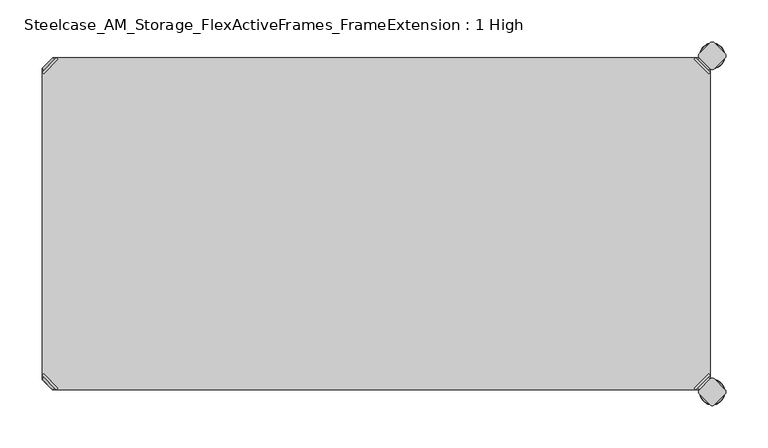
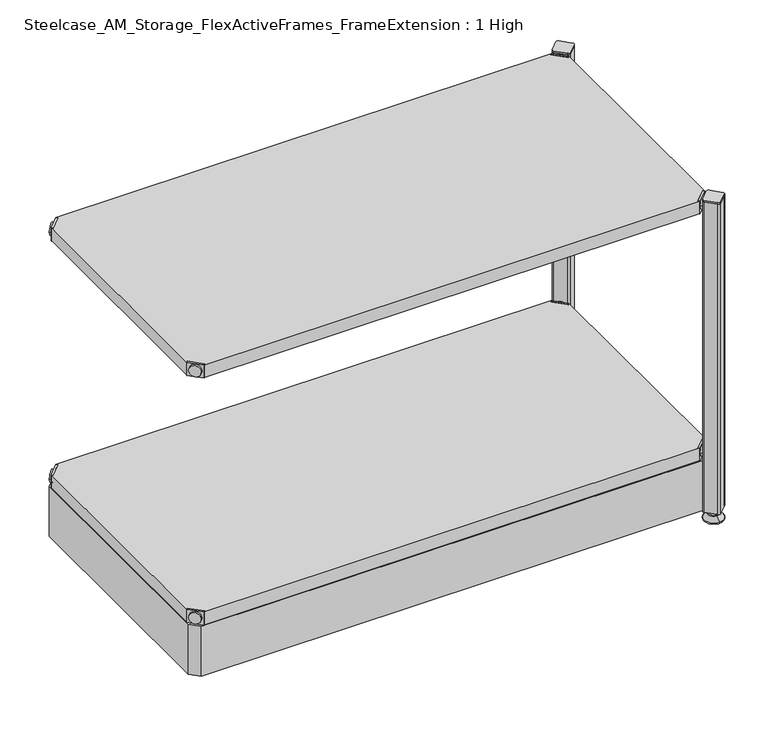
"""IFC4 building model written with IfcOpenShell, lengths in millimetres: furniture geometry, Steelcase_AM_Storage_FlexActiveFrames_FrameExtension : 1 High."""

from ifc_helpers import new_model, si_unit, point, frame, frame_2d, origin, place, context, project, spatial, polyline, circle_curve, ellipse_curve, trimmed, segment, composite_curve, outline, extrude, source, transform, mapped, element, save
from ifc_brep_helpers import plane_surface, cylinder_surface, revolved_surface, advanced_brep


def steelcase_am_storage_flexactiveframes_frameextension_1_high_ff1b020f(model_context):
    return source(origin(), model_context, "Body", "SolidModel", [
        advanced_brep(
        [(2.54, 380.2870969, 520.29), (4.3360512, 378.4910456, 520.29), (21.5589544, 395.7139488, 520.29), (19.7629031, 397.51, 520.29), (19.7629031, 397.51, 498.954), (2.54, 380.2870969, 498.954), (4.8652723, 382.6123691, 510.13), (17.4376309, 395.1847277, 510.13), (30.2920522, 352.5350447, 499.97), (47.5149553, 369.7579478, 499.97), (21.5589544, 395.7139488, 499.97), (4.3360512, 378.4910456, 499.97), (30.2920522, 352.5350447, 498.954), (47.5149553, 369.7579478, 498.954), (15.1227513, 397.4996073, 510.13), (2.5503927, 384.9272487, 510.13)],
        [
            (0, 1),
            (1, 2),
            (2, 3),
            (3, 0),
            (3, 4),
            (4, 5),
            (5, 0),
            (6, 7, circle_curve(frame((11.1514516, 388.8985484, 510.13), z_axis=(0.7071067811865446, -0.7071067811865505, 0.0), x_axis=(-0.7071067811865505, -0.7071067811865446, 0.0)), 8.89)),
            (7, 6, circle_curve(frame((11.1514516, 388.8985484, 510.13), z_axis=(0.7071067811865446, -0.7071067811865505, 0.0), x_axis=(-0.7071067811865505, -0.7071067811865446, 0.0)), 8.89)),
            (8, 9, circle_curve(frame((38.9035037, 361.1464963, 499.97), z_axis=(0.0, 0.0, 1.0), x_axis=(1.0, 0.0, 0.0)), 12.1784316)),
            (9, 10),
            (10, 11),
            (11, 8),
            (12, 5),
            (4, 13),
            (13, 12, circle_curve(frame((38.9035037, 361.1464963, 498.954), z_axis=(0.0, 0.0, -1.0), x_axis=(1.0, 0.0, 0.0)), 12.1784316)),
            (14, 15, circle_curve(frame((8.836572, 391.213428, 510.13), z_axis=(-0.7071067811865446, 0.7071067811865505, 0.0), x_axis=(-0.7071067811865505, -0.7071067811865446, 0.0)), 8.89)),
            (15, 14, circle_curve(frame((8.836572, 391.213428, 510.13), z_axis=(-0.7071067811865446, 0.7071067811865505, 0.0), x_axis=(-0.7071067811865505, -0.7071067811865446, 0.0)), 8.89)),
            (14, 7),
            (6, 15),
            (1, 11),
            (10, 2),
            (8, 12),
            (13, 9),
        ],
        [
            plane_surface(frame((-19.6579872, 402.485084, 520.29), z_axis=(0.0, 0.0, 1.0000000000000002), x_axis=(0.7071067811865436, -0.7071067811865516, 0.0))),
            plane_surface(frame((19.7629031, 397.51, 520.29), z_axis=(-0.7071067811865447, 0.7071067811865503, 0.0), x_axis=(0.0, 0.0, -1.0))),
            plane_surface(frame((51.0819353, 361.1464963, 499.97), z_axis=(0.0, 0.0, 1.0), x_axis=(0.0, 1.0, 0.0))),
            plane_surface(frame((51.0819353, 361.1464963, 498.954), z_axis=(0.0, 0.0, -1.0), x_axis=(0.0, -1.0, 0.0))),
            plane_surface(frame((2.5503927, 384.9272487, 510.13), z_axis=(-0.7071067811865446, 0.7071067811865505, 0.0), x_axis=(0.0, 0.0, 1.0))),
            cylinder_surface(frame((11.1514516, 388.8985484, 510.13), z_axis=(-0.7071067811865446, 0.7071067811865505, 0.0), x_axis=(-0.7071067811865505, -0.7071067811865446, 0.0)), 8.89),
            plane_surface(frame((4.3360512, 378.4910456, 520.29), z_axis=(0.7071067811865447, -0.7071067811865503, 0.0), x_axis=(0.0, 0.0, -1.0))),
            cylinder_surface(frame((38.9035037, 361.1464963, 498.954), z_axis=(0.0, 0.0, 1.0), x_axis=(1.0, 0.0, 0.0)), 12.1784316),
            plane_surface(frame((2.54, 380.2870969, 520.29), z_axis=(-0.7071067811865516, -0.7071067811865436, 0.0), x_axis=(0.0, 0.0, -1.0))),
            plane_surface(frame((21.5589544, 395.7139488, 520.29), z_axis=(0.7071067811865513, 0.7071067811865437, 0.0), x_axis=(0.0, 0.0, -1.0))),
        ],
        [
            (0, [[1, 2, 3, 4]]),
            (1, [[-4, 5, 6, 7], [8, 9]]),
            (2, [[10, 11, 12, 13]]),
            (3, [[14, -6, 15, 16]]),
            (4, [[17, 18]]),
            (5, [[-17, 19, -8, 20]]),
            (5, [[-18, -20, -9, -19]]),
            (6, [[-2, 21, -12, 22]]),
            (7, [[-10, 23, -16, 24]]),
            (8, [[-1, -7, -14, -23, -13, -21]]),
            (9, [[-3, -22, -11, -24, -15, -5]]),
        ],
    ),
        advanced_brep(
        [(797.56, 380.2870969, 520.29), (780.3370969, 397.51, 520.29), (778.5410456, 395.7139488, 520.29), (795.7639488, 378.4910456, 520.29), (797.56, 380.2870969, 498.954), (780.3370969, 397.51, 498.954), (795.2347277, 382.6123691, 510.13), (782.6623691, 395.1847277, 510.13), (769.8079478, 352.5350447, 499.97), (795.7639488, 378.4910456, 499.97), (778.5410456, 395.7139488, 499.97), (752.5850447, 369.7579478, 499.97), (769.8079478, 352.5350447, 498.954), (752.5850447, 369.7579478, 498.954), (784.9772487, 397.4996073, 510.13), (797.5496073, 384.9272487, 510.13)],
        [
            (0, 1),
            (1, 2),
            (2, 3),
            (3, 0),
            (0, 4),
            (4, 5),
            (5, 1),
            (6, 7, circle_curve(frame((788.9485484, 388.8985484, 510.13), z_axis=(-0.7071067811865446, -0.7071067811865505, 0.0), x_axis=(0.7071067811865505, -0.7071067811865446, 0.0)), 8.89)),
            (7, 6, circle_curve(frame((788.9485484, 388.8985484, 510.13), z_axis=(-0.7071067811865446, -0.7071067811865505, 0.0), x_axis=(0.7071067811865505, -0.7071067811865446, 0.0)), 8.89)),
            (8, 9),
            (9, 10),
            (10, 11),
            (11, 8, circle_curve(frame((761.1964963, 361.1464963, 499.97), z_axis=(0.0, 0.0, 1.0), x_axis=(-1.0, 0.0, 0.0)), 12.1784316)),
            (12, 13, circle_curve(frame((761.1964963, 361.1464963, 498.954), z_axis=(0.0, 0.0, -1.0), x_axis=(-1.0, 0.0, 0.0)), 12.1784316)),
            (13, 5),
            (4, 12),
            (14, 15, circle_curve(frame((791.263428, 391.213428, 510.13), z_axis=(0.7071067811865446, 0.7071067811865505, 0.0), x_axis=(0.7071067811865505, -0.7071067811865446, 0.0)), 8.89)),
            (15, 14, circle_curve(frame((791.263428, 391.213428, 510.13), z_axis=(0.7071067811865446, 0.7071067811865505, 0.0), x_axis=(0.7071067811865505, -0.7071067811865446, 0.0)), 8.89)),
            (15, 6),
            (7, 14),
            (2, 10),
            (9, 3),
            (11, 13),
            (12, 8),
        ],
        [
            plane_surface(frame((819.7579872, 402.485084, 520.29), z_axis=(0.0, 0.0, 1.0000000000000002), x_axis=(-0.7071067811865436, -0.7071067811865516, 0.0))),
            plane_surface(frame((780.3370969, 397.51, 520.29), z_axis=(0.7071067811865447, 0.7071067811865503, 0.0), x_axis=(0.0, 0.0, -1.0))),
            plane_surface(frame((749.0180647, 361.1464963, 499.97), z_axis=(0.0, 0.0, 1.0), x_axis=(0.0, 1.0, 0.0))),
            plane_surface(frame((749.0180647, 361.1464963, 498.954), z_axis=(0.0, 0.0, -1.0), x_axis=(0.0, -1.0, 0.0))),
            plane_surface(frame((797.5496073, 384.9272487, 510.13), z_axis=(0.7071067811865446, 0.7071067811865505, 0.0), x_axis=(0.0, 0.0, 1.0))),
            cylinder_surface(frame((788.9485484, 388.8985484, 510.13), z_axis=(0.7071067811865446, 0.7071067811865505, 0.0), x_axis=(0.7071067811865505, -0.7071067811865446, 0.0)), 8.89),
            plane_surface(frame((795.7639488, 378.4910456, 520.29), z_axis=(-0.7071067811865447, -0.7071067811865503, 0.0), x_axis=(0.0, 0.0, -1.0))),
            cylinder_surface(frame((761.1964963, 361.1464963, 498.954), z_axis=(0.0, 0.0, 1.0), x_axis=(-1.0, 0.0, 0.0)), 12.1784316),
            plane_surface(frame((797.56, 380.2870969, 520.29), z_axis=(0.7071067811865516, -0.7071067811865436, 0.0), x_axis=(0.0, 0.0, -1.0))),
            plane_surface(frame((778.5410456, 395.7139488, 520.29), z_axis=(-0.7071067811865513, 0.7071067811865437, 0.0), x_axis=(0.0, 0.0, -1.0))),
        ],
        [
            (0, [[1, 2, 3, 4]]),
            (1, [[5, 6, 7, -1], [8, 9]]),
            (2, [[10, 11, 12, 13]]),
            (3, [[14, 15, -6, 16]]),
            (4, [[17, 18]]),
            (5, [[19, -9, 20, -18]]),
            (5, [[-20, -8, -19, -17]]),
            (6, [[21, -11, 22, -3]]),
            (7, [[23, -14, 24, -13]]),
            (8, [[-22, -10, -24, -16, -5, -4]]),
            (9, [[-7, -15, -23, -12, -21, -2]]),
        ],
    ),
        advanced_brep(
        [(797.56, 19.7629031, 520.29), (795.7639488, 21.5589544, 520.29), (778.5410456, 4.3360512, 520.29), (780.3370969, 2.54, 520.29), (780.3370969, 2.54, 498.954), (797.56, 19.7629031, 498.954), (795.2347277, 17.4376309, 510.13), (782.6623691, 4.8652723, 510.13), (769.8079478, 47.5149553, 499.97), (752.5850447, 30.2920522, 499.97), (778.5410456, 4.3360512, 499.97), (795.7639488, 21.5589544, 499.97), (769.8079478, 47.5149553, 498.954), (752.5850447, 30.2920522, 498.954), (784.9772487, 2.5503927, 510.13), (797.5496073, 15.1227513, 510.13)],
        [
            (0, 1),
            (1, 2),
            (2, 3),
            (3, 0),
            (3, 4),
            (4, 5),
            (5, 0),
            (6, 7, circle_curve(frame((788.9485484, 11.1514516, 510.13), z_axis=(-0.7071067811865469, 0.7071067811865481, 0.0), x_axis=(0.7071067811865481, 0.7071067811865469, 0.0)), 8.89)),
            (7, 6, circle_curve(frame((788.9485484, 11.1514516, 510.13), z_axis=(-0.7071067811865469, 0.7071067811865481, 0.0), x_axis=(0.7071067811865481, 0.7071067811865469, 0.0)), 8.89)),
            (8, 9, circle_curve(frame((761.1964963, 38.9035037, 499.97), z_axis=(0.0, 0.0, 1.0), x_axis=(-1.0, 0.0, 0.0)), 12.1784316)),
            (9, 10),
            (10, 11),
            (11, 8),
            (12, 5),
            (4, 13),
            (13, 12, circle_curve(frame((761.1964963, 38.9035037, 498.954), z_axis=(0.0, 0.0, -1.0), x_axis=(-1.0, 0.0, 0.0)), 12.1784316)),
            (14, 15, circle_curve(frame((791.263428, 8.836572, 510.13), z_axis=(0.7071067811865469, -0.7071067811865481, 0.0), x_axis=(0.7071067811865481, 0.7071067811865469, 0.0)), 8.89)),
            (15, 14, circle_curve(frame((791.263428, 8.836572, 510.13), z_axis=(0.7071067811865469, -0.7071067811865481, 0.0), x_axis=(0.7071067811865481, 0.7071067811865469, 0.0)), 8.89)),
            (14, 7),
            (6, 15),
            (1, 11),
            (10, 2),
            (8, 12),
            (13, 9),
        ],
        [
            plane_surface(frame((819.7579872, -2.435084, 520.29), z_axis=(0.0, 0.0, 1.0000000000000002), x_axis=(-0.7071067811865459, 0.7071067811865492, 0.0))),
            plane_surface(frame((780.3370969, 2.54, 520.29), z_axis=(0.707106781186547, -0.707106781186548, 0.0), x_axis=(0.0, 0.0, -1.0))),
            plane_surface(frame((749.0180647, 38.9035037, 499.97), z_axis=(0.0, 0.0, 1.0), x_axis=(0.0, -1.0, 0.0))),
            plane_surface(frame((749.0180647, 38.9035037, 498.954), z_axis=(0.0, 0.0, -1.0), x_axis=(0.0, 1.0, 0.0))),
            plane_surface(frame((797.5496073, 15.1227513, 510.13), z_axis=(0.7071067811865469, -0.7071067811865481, 0.0), x_axis=(0.0, 0.0, 1.0))),
            cylinder_surface(frame((788.9485484, 11.1514516, 510.13), z_axis=(0.7071067811865469, -0.7071067811865481, 0.0), x_axis=(0.7071067811865481, 0.7071067811865469, 0.0)), 8.89),
            plane_surface(frame((795.7639488, 21.5589544, 520.29), z_axis=(-0.707106781186547, 0.707106781186548, 0.0), x_axis=(0.0, 0.0, -1.0))),
            cylinder_surface(frame((761.1964963, 38.9035037, 498.954), z_axis=(0.0, 0.0, 1.0), x_axis=(-1.0, 0.0, 0.0)), 12.1784316),
            plane_surface(frame((797.56, 19.7629031, 520.29), z_axis=(0.7071067811865492, 0.7071067811865459, 0.0), x_axis=(0.0, 0.0, -1.0))),
            plane_surface(frame((778.5410456, 4.3360512, 520.29), z_axis=(-0.707106781186549, -0.707106781186546, 0.0), x_axis=(0.0, 0.0, -1.0))),
        ],
        [
            (0, [[1, 2, 3, 4]]),
            (1, [[-4, 5, 6, 7], [8, 9]]),
            (2, [[10, 11, 12, 13]]),
            (3, [[14, -6, 15, 16]]),
            (4, [[17, 18]]),
            (5, [[-17, 19, -8, 20]]),
            (5, [[-18, -20, -9, -19]]),
            (6, [[-2, 21, -12, 22]]),
            (7, [[-10, 23, -16, 24]]),
            (8, [[-1, -7, -14, -23, -13, -21]]),
            (9, [[-3, -22, -11, -24, -15, -5]]),
        ],
    ),
        advanced_brep(
        [(2.54, 19.7629031, 520.29), (19.7629031, 2.54, 520.29), (21.5589544, 4.3360512, 520.29), (4.3360512, 21.5589544, 520.29), (2.54, 19.7629031, 498.954), (19.7629031, 2.54, 498.954), (4.8652723, 17.4376309, 510.13), (17.4376309, 4.8652723, 510.13), (30.2920522, 47.5149553, 499.97), (4.3360512, 21.5589544, 499.97), (21.5589544, 4.3360512, 499.97), (47.5149553, 30.2920522, 499.97), (30.2920522, 47.5149553, 498.954), (47.5149553, 30.2920522, 498.954), (15.1227513, 2.5503927, 510.13), (2.5503927, 15.1227513, 510.13)],
        [
            (0, 1),
            (1, 2),
            (2, 3),
            (3, 0),
            (0, 4),
            (4, 5),
            (5, 1),
            (6, 7, circle_curve(frame((11.1514516, 11.1514516, 510.13), z_axis=(0.7071067811865469, 0.7071067811865481, 0.0), x_axis=(-0.7071067811865481, 0.7071067811865469, 0.0)), 8.89)),
            (7, 6, circle_curve(frame((11.1514516, 11.1514516, 510.13), z_axis=(0.7071067811865469, 0.7071067811865481, 0.0), x_axis=(-0.7071067811865481, 0.7071067811865469, 0.0)), 8.89)),
            (8, 9),
            (9, 10),
            (10, 11),
            (11, 8, circle_curve(frame((38.9035037, 38.9035037, 499.97), z_axis=(0.0, 0.0, 1.0), x_axis=(1.0, 0.0, 0.0)), 12.1784316)),
            (12, 13, circle_curve(frame((38.9035037, 38.9035037, 498.954), z_axis=(0.0, 0.0, -1.0), x_axis=(1.0, 0.0, 0.0)), 12.1784316)),
            (13, 5),
            (4, 12),
            (14, 15, circle_curve(frame((8.836572, 8.836572, 510.13), z_axis=(-0.7071067811865469, -0.7071067811865481, 0.0), x_axis=(-0.7071067811865481, 0.7071067811865469, 0.0)), 8.89)),
            (15, 14, circle_curve(frame((8.836572, 8.836572, 510.13), z_axis=(-0.7071067811865469, -0.7071067811865481, 0.0), x_axis=(-0.7071067811865481, 0.7071067811865469, 0.0)), 8.89)),
            (15, 6),
            (7, 14),
            (2, 10),
            (9, 3),
            (11, 13),
            (12, 8),
        ],
        [
            plane_surface(frame((-19.6579872, -2.435084, 520.29), z_axis=(0.0, 0.0, 1.0000000000000002), x_axis=(0.7071067811865459, 0.7071067811865492, 0.0))),
            plane_surface(frame((19.7629031, 2.54, 520.29), z_axis=(-0.707106781186547, -0.707106781186548, 0.0), x_axis=(0.0, 0.0, -1.0))),
            plane_surface(frame((51.0819353, 38.9035037, 499.97), z_axis=(0.0, 0.0, 1.0), x_axis=(0.0, -1.0, 0.0))),
            plane_surface(frame((51.0819353, 38.9035037, 498.954), z_axis=(0.0, 0.0, -1.0), x_axis=(0.0, 1.0, 0.0))),
            plane_surface(frame((2.5503927, 15.1227513, 510.13), z_axis=(-0.7071067811865469, -0.7071067811865481, 0.0), x_axis=(0.0, 0.0, 1.0))),
            cylinder_surface(frame((11.1514516, 11.1514516, 510.13), z_axis=(-0.7071067811865469, -0.7071067811865481, 0.0), x_axis=(-0.7071067811865481, 0.7071067811865469, 0.0)), 8.89),
            plane_surface(frame((4.3360512, 21.5589544, 520.29), z_axis=(0.707106781186547, 0.707106781186548, 0.0), x_axis=(0.0, 0.0, -1.0))),
            cylinder_surface(frame((38.9035037, 38.9035037, 498.954), z_axis=(0.0, 0.0, 1.0), x_axis=(1.0, 0.0, 0.0)), 12.1784316),
            plane_surface(frame((2.54, 19.7629031, 520.29), z_axis=(-0.7071067811865492, 0.7071067811865459, 0.0), x_axis=(0.0, 0.0, -1.0))),
            plane_surface(frame((21.5589544, 4.3360512, 520.29), z_axis=(0.707106781186549, -0.707106781186546, 0.0), x_axis=(0.0, 0.0, -1.0))),
        ],
        [
            (0, [[1, 2, 3, 4]]),
            (1, [[5, 6, 7, -1], [8, 9]]),
            (2, [[10, 11, 12, 13]]),
            (3, [[14, 15, -6, 16]]),
            (4, [[17, 18]]),
            (5, [[19, -9, 20, -18]]),
            (5, [[-20, -8, -19, -17]]),
            (6, [[21, -11, 22, -3]]),
            (7, [[23, -14, 24, -13]]),
            (8, [[-22, -10, -24, -16, -5, -4]]),
            (9, [[-7, -15, -23, -12, -21, -2]]),
        ],
    ),
        extrude(outline(polyline([(19.7629031, 2.54), (21.5589544, 4.3360512), (4.3360512, 21.5589544), (2.54, 19.7629031), (2.54, 380.2870969), (4.3360512, 378.4910456), (21.5589544, 395.7139488), (19.7629031, 397.51), (780.3370969, 397.51), (778.5410456, 395.7139488), (795.7639488, 378.4910456), (797.56, 380.2870969), (797.56, 19.7629031), (795.7639488, 21.5589544), (778.5410456, 4.3360512), (780.3370969, 2.54), (19.7629031, 2.54)])), frame((0.0, 0.0, 499.97), z_axis=(0.0, 0.0, 1.0), x_axis=(1.0, 0.0, 0.0)), (0.0, 0.0, 1.0), 20.32),
        advanced_brep(
        [(2.54, 380.2870969, 118.9736), (4.3360512, 378.4910456, 118.9736), (21.5589544, 395.7139488, 118.9736), (19.7629031, 397.51, 118.9736), (19.7629031, 397.51, 97.6376), (2.54, 380.2870969, 97.6376), (4.8652723, 382.6123691, 108.8136), (17.4376309, 395.1847277, 108.8136), (30.2920522, 352.5350447, 98.6536), (47.5149553, 369.7579478, 98.6536), (21.5589544, 395.7139488, 98.6536), (4.3360512, 378.4910456, 98.6536), (30.2920522, 352.5350447, 97.6376), (47.5149553, 369.7579478, 97.6376), (15.1227513, 397.4996073, 108.8136), (2.5503927, 384.9272487, 108.8136)],
        [
            (0, 1),
            (1, 2),
            (2, 3),
            (3, 0),
            (3, 4),
            (4, 5),
            (5, 0),
            (6, 7, circle_curve(frame((11.1514516, 388.8985484, 108.8136), z_axis=(0.7071067811865446, -0.7071067811865505, 0.0), x_axis=(-0.7071067811865505, -0.7071067811865446, 0.0)), 8.89)),
            (7, 6, circle_curve(frame((11.1514516, 388.8985484, 108.8136), z_axis=(0.7071067811865446, -0.7071067811865505, 0.0), x_axis=(-0.7071067811865505, -0.7071067811865446, 0.0)), 8.89)),
            (8, 9, circle_curve(frame((38.9035037, 361.1464963, 98.6536), z_axis=(0.0, 0.0, 1.0), x_axis=(1.0, 0.0, 0.0)), 12.1784316)),
            (9, 10),
            (10, 11),
            (11, 8),
            (12, 5),
            (4, 13),
            (13, 12, circle_curve(frame((38.9035037, 361.1464963, 97.6376), z_axis=(0.0, 0.0, -1.0), x_axis=(1.0, 0.0, 0.0)), 12.1784316)),
            (14, 15, circle_curve(frame((8.836572, 391.213428, 108.8136), z_axis=(-0.7071067811865446, 0.7071067811865505, 0.0), x_axis=(-0.7071067811865505, -0.7071067811865446, 0.0)), 8.89)),
            (15, 14, circle_curve(frame((8.836572, 391.213428, 108.8136), z_axis=(-0.7071067811865446, 0.7071067811865505, 0.0), x_axis=(-0.7071067811865505, -0.7071067811865446, 0.0)), 8.89)),
            (14, 7),
            (6, 15),
            (1, 11),
            (10, 2),
            (8, 12),
            (13, 9),
        ],
        [
            plane_surface(frame((-19.6579872, 402.485084, 118.9736), z_axis=(0.0, 0.0, 1.0000000000000002), x_axis=(0.7071067811865436, -0.7071067811865516, 0.0))),
            plane_surface(frame((19.7629031, 397.51, 118.9736), z_axis=(-0.7071067811865447, 0.7071067811865503, 0.0), x_axis=(0.0, 0.0, -1.0))),
            plane_surface(frame((51.0819353, 361.1464963, 98.6536), z_axis=(0.0, 0.0, 1.0), x_axis=(0.0, 1.0, 0.0))),
            plane_surface(frame((51.0819353, 361.1464963, 97.6376), z_axis=(0.0, 0.0, -1.0), x_axis=(0.0, -1.0, 0.0))),
            plane_surface(frame((2.5503927, 384.9272487, 108.8136), z_axis=(-0.7071067811865446, 0.7071067811865505, 0.0), x_axis=(0.0, 0.0, 1.0))),
            cylinder_surface(frame((11.1514516, 388.8985484, 108.8136), z_axis=(-0.7071067811865446, 0.7071067811865505, 0.0), x_axis=(-0.7071067811865505, -0.7071067811865446, 0.0)), 8.89),
            plane_surface(frame((4.3360512, 378.4910456, 118.9736), z_axis=(0.7071067811865447, -0.7071067811865503, 0.0), x_axis=(0.0, 0.0, -1.0))),
            cylinder_surface(frame((38.9035037, 361.1464963, 97.6376), z_axis=(0.0, 0.0, 1.0), x_axis=(1.0, 0.0, 0.0)), 12.1784316),
            plane_surface(frame((2.54, 380.2870969, 118.9736), z_axis=(-0.7071067811865516, -0.7071067811865436, 0.0), x_axis=(0.0, 0.0, -1.0))),
            plane_surface(frame((21.5589544, 395.7139488, 118.9736), z_axis=(0.7071067811865513, 0.7071067811865437, 0.0), x_axis=(0.0, 0.0, -1.0))),
        ],
        [
            (0, [[1, 2, 3, 4]]),
            (1, [[-4, 5, 6, 7], [8, 9]]),
            (2, [[10, 11, 12, 13]]),
            (3, [[14, -6, 15, 16]]),
            (4, [[17, 18]]),
            (5, [[-17, 19, -8, 20]]),
            (5, [[-18, -20, -9, -19]]),
            (6, [[-2, 21, -12, 22]]),
            (7, [[-10, 23, -16, 24]]),
            (8, [[-1, -7, -14, -23, -13, -21]]),
            (9, [[-3, -22, -11, -24, -15, -5]]),
        ],
    ),
        advanced_brep(
        [(797.56, 380.2870969, 118.9736), (780.3370969, 397.51, 118.9736), (778.5410456, 395.7139488, 118.9736), (795.7639488, 378.4910456, 118.9736), (797.56, 380.2870969, 97.6376), (780.3370969, 397.51, 97.6376), (795.2347277, 382.6123691, 108.8136), (782.6623691, 395.1847277, 108.8136), (769.8079478, 352.5350447, 98.6536), (795.7639488, 378.4910456, 98.6536), (778.5410456, 395.7139488, 98.6536), (752.5850447, 369.7579478, 98.6536), (769.8079478, 352.5350447, 97.6376), (752.5850447, 369.7579478, 97.6376), (784.9772487, 397.4996073, 108.8136), (797.5496073, 384.9272487, 108.8136)],
        [
            (0, 1),
            (1, 2),
            (2, 3),
            (3, 0),
            (0, 4),
            (4, 5),
            (5, 1),
            (6, 7, circle_curve(frame((788.9485484, 388.8985484, 108.8136), z_axis=(-0.7071067811865446, -0.7071067811865505, 0.0), x_axis=(0.7071067811865505, -0.7071067811865446, 0.0)), 8.89)),
            (7, 6, circle_curve(frame((788.9485484, 388.8985484, 108.8136), z_axis=(-0.7071067811865446, -0.7071067811865505, 0.0), x_axis=(0.7071067811865505, -0.7071067811865446, 0.0)), 8.89)),
            (8, 9),
            (9, 10),
            (10, 11),
            (11, 8, circle_curve(frame((761.1964963, 361.1464963, 98.6536), z_axis=(0.0, 0.0, 1.0), x_axis=(-1.0, 0.0, 0.0)), 12.1784316)),
            (12, 13, circle_curve(frame((761.1964963, 361.1464963, 97.6376), z_axis=(0.0, 0.0, -1.0), x_axis=(-1.0, 0.0, 0.0)), 12.1784316)),
            (13, 5),
            (4, 12),
            (14, 15, circle_curve(frame((791.263428, 391.213428, 108.8136), z_axis=(0.7071067811865446, 0.7071067811865505, 0.0), x_axis=(0.7071067811865505, -0.7071067811865446, 0.0)), 8.89)),
            (15, 14, circle_curve(frame((791.263428, 391.213428, 108.8136), z_axis=(0.7071067811865446, 0.7071067811865505, 0.0), x_axis=(0.7071067811865505, -0.7071067811865446, 0.0)), 8.89)),
            (15, 6),
            (7, 14),
            (2, 10),
            (9, 3),
            (11, 13),
            (12, 8),
        ],
        [
            plane_surface(frame((819.7579872, 402.485084, 118.9736), z_axis=(0.0, 0.0, 1.0000000000000002), x_axis=(-0.7071067811865436, -0.7071067811865516, 0.0))),
            plane_surface(frame((780.3370969, 397.51, 118.9736), z_axis=(0.7071067811865447, 0.7071067811865503, 0.0), x_axis=(0.0, 0.0, -1.0))),
            plane_surface(frame((749.0180647, 361.1464963, 98.6536), z_axis=(0.0, 0.0, 1.0), x_axis=(0.0, 1.0, 0.0))),
            plane_surface(frame((749.0180647, 361.1464963, 97.6376), z_axis=(0.0, 0.0, -1.0), x_axis=(0.0, -1.0, 0.0))),
            plane_surface(frame((797.5496073, 384.9272487, 108.8136), z_axis=(0.7071067811865446, 0.7071067811865505, 0.0), x_axis=(0.0, 0.0, 1.0))),
            cylinder_surface(frame((788.9485484, 388.8985484, 108.8136), z_axis=(0.7071067811865446, 0.7071067811865505, 0.0), x_axis=(0.7071067811865505, -0.7071067811865446, 0.0)), 8.89),
            plane_surface(frame((795.7639488, 378.4910456, 118.9736), z_axis=(-0.7071067811865447, -0.7071067811865503, 0.0), x_axis=(0.0, 0.0, -1.0))),
            cylinder_surface(frame((761.1964963, 361.1464963, 97.6376), z_axis=(0.0, 0.0, 1.0), x_axis=(-1.0, 0.0, 0.0)), 12.1784316),
            plane_surface(frame((797.56, 380.2870969, 118.9736), z_axis=(0.7071067811865516, -0.7071067811865436, 0.0), x_axis=(0.0, 0.0, -1.0))),
            plane_surface(frame((778.5410456, 395.7139488, 118.9736), z_axis=(-0.7071067811865513, 0.7071067811865437, 0.0), x_axis=(0.0, 0.0, -1.0))),
        ],
        [
            (0, [[1, 2, 3, 4]]),
            (1, [[5, 6, 7, -1], [8, 9]]),
            (2, [[10, 11, 12, 13]]),
            (3, [[14, 15, -6, 16]]),
            (4, [[17, 18]]),
            (5, [[19, -9, 20, -18]]),
            (5, [[-20, -8, -19, -17]]),
            (6, [[21, -11, 22, -3]]),
            (7, [[23, -14, 24, -13]]),
            (8, [[-22, -10, -24, -16, -5, -4]]),
            (9, [[-7, -15, -23, -12, -21, -2]]),
        ],
    ),
        advanced_brep(
        [(797.56, 19.7629031, 118.9736), (795.7639488, 21.5589544, 118.9736), (778.5410456, 4.3360512, 118.9736), (780.3370969, 2.54, 118.9736), (780.3370969, 2.54, 97.6376), (797.56, 19.7629031, 97.6376), (795.2347277, 17.4376309, 108.8136), (782.6623691, 4.8652723, 108.8136), (769.8079478, 47.5149553, 98.6536), (752.5850447, 30.2920522, 98.6536), (778.5410456, 4.3360512, 98.6536), (795.7639488, 21.5589544, 98.6536), (769.8079478, 47.5149553, 97.6376), (752.5850447, 30.2920522, 97.6376), (784.9772487, 2.5503927, 108.8136), (797.5496073, 15.1227513, 108.8136)],
        [
            (0, 1),
            (1, 2),
            (2, 3),
            (3, 0),
            (3, 4),
            (4, 5),
            (5, 0),
            (6, 7, circle_curve(frame((788.9485484, 11.1514516, 108.8136), z_axis=(-0.7071067811865469, 0.7071067811865481, 0.0), x_axis=(0.7071067811865481, 0.7071067811865469, 0.0)), 8.89)),
            (7, 6, circle_curve(frame((788.9485484, 11.1514516, 108.8136), z_axis=(-0.7071067811865469, 0.7071067811865481, 0.0), x_axis=(0.7071067811865481, 0.7071067811865469, 0.0)), 8.89)),
            (8, 9, circle_curve(frame((761.1964963, 38.9035037, 98.6536), z_axis=(0.0, 0.0, 1.0), x_axis=(-1.0, 0.0, 0.0)), 12.1784316)),
            (9, 10),
            (10, 11),
            (11, 8),
            (12, 5),
            (4, 13),
            (13, 12, circle_curve(frame((761.1964963, 38.9035037, 97.6376), z_axis=(0.0, 0.0, -1.0), x_axis=(-1.0, 0.0, 0.0)), 12.1784316)),
            (14, 15, circle_curve(frame((791.263428, 8.836572, 108.8136), z_axis=(0.7071067811865469, -0.7071067811865481, 0.0), x_axis=(0.7071067811865481, 0.7071067811865469, 0.0)), 8.89)),
            (15, 14, circle_curve(frame((791.263428, 8.836572, 108.8136), z_axis=(0.7071067811865469, -0.7071067811865481, 0.0), x_axis=(0.7071067811865481, 0.7071067811865469, 0.0)), 8.89)),
            (14, 7),
            (6, 15),
            (1, 11),
            (10, 2),
            (8, 12),
            (13, 9),
        ],
        [
            plane_surface(frame((819.7579872, -2.435084, 118.9736), z_axis=(0.0, 0.0, 1.0000000000000002), x_axis=(-0.7071067811865459, 0.7071067811865492, 0.0))),
            plane_surface(frame((780.3370969, 2.54, 118.9736), z_axis=(0.707106781186547, -0.707106781186548, 0.0), x_axis=(0.0, 0.0, -1.0))),
            plane_surface(frame((749.0180647, 38.9035037, 98.6536), z_axis=(0.0, 0.0, 1.0), x_axis=(0.0, -1.0, 0.0))),
            plane_surface(frame((749.0180647, 38.9035037, 97.6376), z_axis=(0.0, 0.0, -1.0), x_axis=(0.0, 1.0, 0.0))),
            plane_surface(frame((797.5496073, 15.1227513, 108.8136), z_axis=(0.7071067811865469, -0.7071067811865481, 0.0), x_axis=(0.0, 0.0, 1.0))),
            cylinder_surface(frame((788.9485484, 11.1514516, 108.8136), z_axis=(0.7071067811865469, -0.7071067811865481, 0.0), x_axis=(0.7071067811865481, 0.7071067811865469, 0.0)), 8.89),
            plane_surface(frame((795.7639488, 21.5589544, 118.9736), z_axis=(-0.707106781186547, 0.707106781186548, 0.0), x_axis=(0.0, 0.0, -1.0))),
            cylinder_surface(frame((761.1964963, 38.9035037, 97.6376), z_axis=(0.0, 0.0, 1.0), x_axis=(-1.0, 0.0, 0.0)), 12.1784316),
            plane_surface(frame((797.56, 19.7629031, 118.9736), z_axis=(0.7071067811865492, 0.7071067811865459, 0.0), x_axis=(0.0, 0.0, -1.0))),
            plane_surface(frame((778.5410456, 4.3360512, 118.9736), z_axis=(-0.707106781186549, -0.707106781186546, 0.0), x_axis=(0.0, 0.0, -1.0))),
        ],
        [
            (0, [[1, 2, 3, 4]]),
            (1, [[-4, 5, 6, 7], [8, 9]]),
            (2, [[10, 11, 12, 13]]),
            (3, [[14, -6, 15, 16]]),
            (4, [[17, 18]]),
            (5, [[-17, 19, -8, 20]]),
            (5, [[-18, -20, -9, -19]]),
            (6, [[-2, 21, -12, 22]]),
            (7, [[-10, 23, -16, 24]]),
            (8, [[-1, -7, -14, -23, -13, -21]]),
            (9, [[-3, -22, -11, -24, -15, -5]]),
        ],
    ),
        advanced_brep(
        [(2.54, 19.7629031, 118.9736), (19.7629031, 2.54, 118.9736), (21.5589544, 4.3360512, 118.9736), (4.3360512, 21.5589544, 118.9736), (2.54, 19.7629031, 97.6376), (19.7629031, 2.54, 97.6376), (4.8652723, 17.4376309, 108.8136), (17.4376309, 4.8652723, 108.8136), (30.2920522, 47.5149553, 98.6536), (4.3360512, 21.5589544, 98.6536), (21.5589544, 4.3360512, 98.6536), (47.5149553, 30.2920522, 98.6536), (30.2920522, 47.5149553, 97.6376), (47.5149553, 30.2920522, 97.6376), (15.1227513, 2.5503927, 108.8136), (2.5503927, 15.1227513, 108.8136)],
        [
            (0, 1),
            (1, 2),
            (2, 3),
            (3, 0),
            (0, 4),
            (4, 5),
            (5, 1),
            (6, 7, circle_curve(frame((11.1514516, 11.1514516, 108.8136), z_axis=(0.7071067811865469, 0.7071067811865481, 0.0), x_axis=(-0.7071067811865481, 0.7071067811865469, 0.0)), 8.89)),
            (7, 6, circle_curve(frame((11.1514516, 11.1514516, 108.8136), z_axis=(0.7071067811865469, 0.7071067811865481, 0.0), x_axis=(-0.7071067811865481, 0.7071067811865469, 0.0)), 8.89)),
            (8, 9),
            (9, 10),
            (10, 11),
            (11, 8, circle_curve(frame((38.9035037, 38.9035037, 98.6536), z_axis=(0.0, 0.0, 1.0), x_axis=(1.0, 0.0, 0.0)), 12.1784316)),
            (12, 13, circle_curve(frame((38.9035037, 38.9035037, 97.6376), z_axis=(0.0, 0.0, -1.0), x_axis=(1.0, 0.0, 0.0)), 12.1784316)),
            (13, 5),
            (4, 12),
            (14, 15, circle_curve(frame((8.836572, 8.836572, 108.8136), z_axis=(-0.7071067811865469, -0.7071067811865481, 0.0), x_axis=(-0.7071067811865481, 0.7071067811865469, 0.0)), 8.89)),
            (15, 14, circle_curve(frame((8.836572, 8.836572, 108.8136), z_axis=(-0.7071067811865469, -0.7071067811865481, 0.0), x_axis=(-0.7071067811865481, 0.7071067811865469, 0.0)), 8.89)),
            (15, 6),
            (7, 14),
            (2, 10),
            (9, 3),
            (11, 13),
            (12, 8),
        ],
        [
            plane_surface(frame((-19.6579872, -2.435084, 118.9736), z_axis=(0.0, 0.0, 1.0000000000000002), x_axis=(0.7071067811865459, 0.7071067811865492, 0.0))),
            plane_surface(frame((19.7629031, 2.54, 118.9736), z_axis=(-0.707106781186547, -0.707106781186548, 0.0), x_axis=(0.0, 0.0, -1.0))),
            plane_surface(frame((51.0819353, 38.9035037, 98.6536), z_axis=(0.0, 0.0, 1.0), x_axis=(0.0, -1.0, 0.0))),
            plane_surface(frame((51.0819353, 38.9035037, 97.6376), z_axis=(0.0, 0.0, -1.0), x_axis=(0.0, 1.0, 0.0))),
            plane_surface(frame((2.5503927, 15.1227513, 108.8136), z_axis=(-0.7071067811865469, -0.7071067811865481, 0.0), x_axis=(0.0, 0.0, 1.0))),
            cylinder_surface(frame((11.1514516, 11.1514516, 108.8136), z_axis=(-0.7071067811865469, -0.7071067811865481, 0.0), x_axis=(-0.7071067811865481, 0.7071067811865469, 0.0)), 8.89),
            plane_surface(frame((4.3360512, 21.5589544, 118.9736), z_axis=(0.707106781186547, 0.707106781186548, 0.0), x_axis=(0.0, 0.0, -1.0))),
            cylinder_surface(frame((38.9035037, 38.9035037, 97.6376), z_axis=(0.0, 0.0, 1.0), x_axis=(1.0, 0.0, 0.0)), 12.1784316),
            plane_surface(frame((2.54, 19.7629031, 118.9736), z_axis=(-0.7071067811865492, 0.7071067811865459, 0.0), x_axis=(0.0, 0.0, -1.0))),
            plane_surface(frame((21.5589544, 4.3360512, 118.9736), z_axis=(0.707106781186549, -0.707106781186546, 0.0), x_axis=(0.0, 0.0, -1.0))),
        ],
        [
            (0, [[1, 2, 3, 4]]),
            (1, [[5, 6, 7, -1], [8, 9]]),
            (2, [[10, 11, 12, 13]]),
            (3, [[14, 15, -6, 16]]),
            (4, [[17, 18]]),
            (5, [[19, -9, 20, -18]]),
            (5, [[-20, -8, -19, -17]]),
            (6, [[21, -11, 22, -3]]),
            (7, [[23, -14, 24, -13]]),
            (8, [[-22, -10, -24, -16, -5, -4]]),
            (9, [[-7, -15, -23, -12, -21, -2]]),
        ],
    ),
        extrude(outline(polyline([(19.7629031, 2.54), (21.5589544, 4.3360512), (4.3360512, 21.5589544), (2.54, 19.7629031), (2.54, 380.2870969), (4.3360512, 378.4910456), (21.5589544, 395.7139488), (19.7629031, 397.51), (780.3370969, 397.51), (778.5410456, 395.7139488), (795.7639488, 378.4910456), (797.56, 380.2870969), (797.56, 19.7629031), (795.7639488, 21.5589544), (778.5410456, 4.3360512), (780.3370969, 2.54), (19.7629031, 2.54)])), frame((0.0, 0.0, 98.6536), z_axis=(0.0, 0.0, 1.0), x_axis=(1.0, 0.0, 0.0)), (0.0, 0.0, 1.0), 20.32),
        extrude(outline(composite_curve([segment(polyline([(802.345064, 15.4326055), (815.5326055, 2.245064)]), True, "CONTINUOUS"), segment(trimmed(circle_curve(frame_2d((813.2875415, 0.0)), 3.175), [point((815.5326055, 2.245064))], [point((815.5326055, -2.245064))], False, "CARTESIAN"), True, "CONTINUOUS"), segment(polyline([(815.5326055, -2.245064), (802.345064, -15.4326055)]), True, "CONTINUOUS"), segment(trimmed(circle_curve(frame_2d((800.1, -13.1875415)), 3.175), [point((802.345064, -15.4326055))], [point((797.854936, -15.4326055))], False, "CARTESIAN"), True, "CONTINUOUS"), segment(polyline([(797.854936, -15.4326055), (784.6673945, -2.245064)]), True, "CONTINUOUS"), segment(trimmed(circle_curve(frame_2d((786.9124585, 0.0)), 3.175), [point((784.6673945, -2.245064))], [point((784.6673945, 2.245064))], False, "CARTESIAN"), True, "CONTINUOUS"), segment(polyline([(784.6673945, 2.245064), (797.854936, 15.4326055)]), True, "CONTINUOUS"), segment(trimmed(circle_curve(frame_2d((800.1, 13.1875415)), 3.175), [point((797.854936, 15.4326055))], [point((802.345064, 15.4326055))], False, "CARTESIAN"), True, "CONTINUOUS")], self_intersect=False)), frame((0.0, 0.0, 520.29), z_axis=(0.0, 0.0, 1.0), x_axis=(1.0, 0.0, 0.0)), (0.0, 0.0, 1.0), 2.032),
        extrude(outline(composite_curve([segment(trimmed(circle_curve(frame_2d((800.1, 386.8624585)), 3.175), [point((802.345064, 384.6173945))], [point((797.854936, 384.6173945))], False, "CARTESIAN"), True, "CONTINUOUS"), segment(polyline([(797.854936, 384.6173945), (784.6673945, 397.804936)]), True, "CONTINUOUS"), segment(trimmed(circle_curve(frame_2d((786.9124585, 400.05)), 3.175), [point((784.6673945, 397.804936))], [point((784.6673945, 402.295064))], False, "CARTESIAN"), True, "CONTINUOUS"), segment(polyline([(784.6673945, 402.295064), (797.854936, 415.4826055)]), True, "CONTINUOUS"), segment(trimmed(circle_curve(frame_2d((800.1, 413.2375415)), 3.175), [point((797.854936, 415.4826055))], [point((802.345064, 415.4826055))], False, "CARTESIAN"), True, "CONTINUOUS"), segment(polyline([(802.345064, 415.4826055), (815.5326055, 402.295064)]), True, "CONTINUOUS"), segment(trimmed(circle_curve(frame_2d((813.2875415, 400.05)), 3.175), [point((815.5326055, 402.295064))], [point((815.5326055, 397.804936))], False, "CARTESIAN"), True, "CONTINUOUS"), segment(polyline([(815.5326055, 397.804936), (802.345064, 384.6173945)]), True, "CONTINUOUS")], self_intersect=False)), frame((0.0, 0.0, 520.29), z_axis=(0.0, 0.0, 1.0), x_axis=(1.0, 0.0, 0.0)), (0.0, 0.0, 1.0), 2.032),
        extrude(outline(polyline([(2.54, 384.9123305), (15.1376695, 397.51), (784.9623305, 397.51), (797.56, 384.9123305), (797.56, 15.1376695), (784.9623305, 2.54), (15.1376695, 2.54), (2.54, 15.1376695), (2.54, 384.9123305)]), holes=[polyline([(12.7, 15.748), (787.4, 15.748), (787.4, 387.35), (12.7, 387.35), (12.7, 15.748)])]), frame((0.0, 0.0, 15.9766), z_axis=(0.0, 0.0, 1.0), x_axis=(1.0, 0.0, 0.0)), (0.0, 0.0, 1.0), 81.28),
        advanced_brep(
        [(800.1, -3.999659, 15.9766), (800.1, 0.0, 15.9766), (800.1, 3.999659, 15.9766), (800.1, -3.999659, 12.6000054), (800.1, 3.999659, 12.6000054), (800.1, -5.8601455, 12.6000054), (800.1, 5.8601455, 12.6000054), (800.1, -6.4951462, 11.9650074), (800.1, 6.4951462, 11.9650074), (800.1, -6.4951462, 9.0000124), (800.1, 6.4951462, 9.0000124), (800.1, -8.7421976, 9.0000124), (800.1, 8.7421976, 9.0000124), (800.1, -14.7060077, 2.3275608), (800.1, 14.7060077, 2.3275608), (800.1, -13.664601, 0.0), (800.1, 13.664601, 0.0), (800.1, 0.0, 0.0)],
        [
            (0, 1),
            (1, 2),
            (2, 0, circle_curve(frame((800.1, 0.0, 15.9766), z_axis=(0.0, 0.0, 1.0), x_axis=(0.0, 1.0, 0.0)), 3.999659)),
            (0, 2, circle_curve(frame((800.1, 0.0, 15.9766), z_axis=(0.0, 0.0, 1.0), x_axis=(0.0, 1.0, 0.0)), 3.999659)),
            (3, 0),
            (2, 4),
            (4, 3, circle_curve(frame((800.1, 0.0, 12.6000054), z_axis=(0.0, 0.0, 1.0), x_axis=(0.0, 1.0, 0.0)), 3.999659)),
            (3, 4, circle_curve(frame((800.1, 0.0, 12.6000054), z_axis=(0.0, 0.0, 1.0), x_axis=(0.0, 1.0, 0.0)), 3.999659)),
            (5, 3),
            (4, 6),
            (6, 5, circle_curve(frame((800.1, 0.0, 12.6000054), z_axis=(0.0, 0.0, 1.0), x_axis=(0.0, 1.0, 0.0)), 5.8601455)),
            (5, 6, circle_curve(frame((800.1, 0.0, 12.6000054), z_axis=(0.0, 0.0, 1.0), x_axis=(0.0, 1.0, 0.0)), 5.8601455)),
            (7, 5, circle_curve(frame((800.1, -5.8601462, 11.9650074), z_axis=(-1.0, 0.0, 0.0), x_axis=(0.0, -1.0, 0.0)), 0.635)),
            (6, 8, circle_curve(frame((800.1, 5.8601462, 11.9650074), z_axis=(-1.0, 0.0, 0.0), x_axis=(0.0, 1.0, 0.0)), 0.635)),
            (8, 7, circle_curve(frame((800.1, 0.0, 11.9650074), z_axis=(0.0, 0.0, 1.0), x_axis=(0.0, 1.0, 0.0)), 6.4951462)),
            (7, 8, circle_curve(frame((800.1, 0.0, 11.9650074), z_axis=(0.0, 0.0, 1.0), x_axis=(0.0, 1.0, 0.0)), 6.4951462)),
            (9, 7),
            (8, 10),
            (10, 9, circle_curve(frame((800.1, 0.0, 9.0000124), z_axis=(0.0, 0.0, 1.0), x_axis=(0.0, 1.0, 0.0)), 6.4951462)),
            (9, 10, circle_curve(frame((800.1, 0.0, 9.0000124), z_axis=(0.0, 0.0, 1.0), x_axis=(0.0, 1.0, 0.0)), 6.4951462)),
            (11, 9),
            (10, 12),
            (12, 11, circle_curve(frame((800.1, 0.0, 9.0000124), z_axis=(0.0, 0.0, 1.0), x_axis=(0.0, 1.0, 0.0)), 8.7421976)),
            (11, 12, circle_curve(frame((800.1, 0.0, 9.0000124), z_axis=(0.0, 0.0, 1.0), x_axis=(0.0, 1.0, 0.0)), 8.7421976)),
            (13, 11),
            (12, 14),
            (14, 13, circle_curve(frame((800.1, 0.0, 2.3275608), z_axis=(0.0, 0.0, 1.0), x_axis=(0.0, 1.0, 0.0)), 14.7060077)),
            (13, 14, circle_curve(frame((800.1, 0.0, 2.3275608), z_axis=(0.0, 0.0, 1.0), x_axis=(0.0, 1.0, 0.0)), 14.7060077)),
            (15, 13, circle_curve(frame((800.1, -13.664601, 1.3967556), z_axis=(-1.0, 0.0, 0.0), x_axis=(0.0, -1.0, 0.0)), 1.3967556)),
            (14, 16, circle_curve(frame((800.1, 13.664601, 1.3967556), z_axis=(-1.0, 0.0, 0.0), x_axis=(0.0, 1.0, 0.0)), 1.3967556)),
            (16, 15, circle_curve(frame((800.1, 0.0, 0.0), z_axis=(0.0, 0.0, 1.0), x_axis=(0.0, 1.0, 0.0)), 13.664601)),
            (15, 16, circle_curve(frame((800.1, 0.0, 0.0), z_axis=(0.0, 0.0, 1.0), x_axis=(0.0, 1.0, 0.0)), 13.664601)),
            (17, 15),
            (16, 17),
        ],
        [
            plane_surface(frame((800.1, 0.0, 15.9766), z_axis=(0.0, 0.0, 1.0), x_axis=(0.0, 1.0, 0.0))),
            cylinder_surface(frame((800.1, 0.0, -4.132372), z_axis=(0.0, 0.0, -1.0), x_axis=(0.0, 1.0, 0.0)), 3.999659),
            plane_surface(frame((800.1, 0.0, 12.6000054), z_axis=(0.0, 0.0, 1.0), x_axis=(0.0, 1.0, 0.0))),
            revolved_surface(trimmed(ellipse_curve(frame((800.1, 5.8601462, 11.9650074), z_axis=(-1.0, 0.0, 0.0), x_axis=(0.0, 1.0, 0.0)), 0.635, 0.635), [point((800.1, 5.8601455, 12.6000074))], [point((800.1, 6.4951462, 11.9650074))], True, "CARTESIAN"), (800.1, 0.0, -4.132372), (0.0, 0.0, -1.0)),
            cylinder_surface(frame((800.1, 0.0, -4.132372), z_axis=(0.0, 0.0, -1.0), x_axis=(0.0, 1.0, 0.0)), 6.4951462),
            plane_surface(frame((800.1, 0.0, 9.0000124), z_axis=(0.0, 0.0, 1.0), x_axis=(0.0, 1.0, 0.0))),
            revolved_surface(polyline([(800.1, 8.7421976, 9.0000124), (800.1, 14.7060077, 2.3275608)]), (800.1, 0.0, -4.132372), (0.0, 0.0, -1.0)),
            revolved_surface(trimmed(ellipse_curve(frame((800.1, 13.664601, 1.3967556), z_axis=(-1.0, 0.0, 0.0), x_axis=(0.0, 1.0, 0.0)), 1.3967556, 1.3967556), [point((800.1, 14.7060077, 2.3275608))], [point((800.1, 13.664601, 0.0))], True, "CARTESIAN"), (800.1, 0.0, -4.132372), (0.0, 0.0, -1.0)),
            plane_surface(frame((800.1, 0.0, 0.0), z_axis=(0.0, 0.0, -1.0), x_axis=(0.0, 1.0, 0.0))),
        ],
        [
            (0, [[1, 2, 3]]),
            (0, [[-2, -1, 4]]),
            (1, [[5, -3, 6, 7]]),
            (1, [[-6, -4, -5, 8]]),
            (2, [[9, -7, 10, 11]]),
            (2, [[-10, -8, -9, 12]]),
            (3, [[13, -11, 14, 15]]),
            (3, [[-14, -12, -13, 16]]),
            (4, [[17, -15, 18, 19]]),
            (4, [[-18, -16, -17, 20]]),
            (5, [[21, -19, 22, 23]]),
            (5, [[-22, -20, -21, 24]]),
            (6, [[25, -23, 26, 27]]),
            (6, [[-26, -24, -25, 28]]),
            (7, [[29, -27, 30, 31]]),
            (7, [[-30, -28, -29, 32]]),
            (8, [[33, -31, 34]]),
            (8, [[-34, -32, -33]]),
        ],
    ),
        advanced_brep(
        [(800.1, 400.05, 15.9766), (800.1, 404.049659, 15.9766), (800.1, 396.050341, 15.9766), (800.1, 404.049659, 12.6000054), (800.1, 396.050341, 12.6000054), (800.1, 405.9101455, 12.6000074), (800.1, 394.1898545, 12.6000074), (800.1, 406.5451462, 11.9650074), (800.1, 393.5548538, 11.9650074), (800.1, 406.5451462, 9.0000124), (800.1, 393.5548538, 9.0000124), (800.1, 408.7921976, 9.0000124), (800.1, 391.3078024, 9.0000124), (800.1, 414.7560077, 2.3275608), (800.1, 385.3439923, 2.3275608), (800.1, 413.714601, 0.0), (800.1, 386.385399, 0.0), (800.1, 400.05, 0.0)],
        [
            (0, 1),
            (1, 2, circle_curve(frame((800.1, 400.05, 15.9766), z_axis=(0.0, 0.0, 1.0), x_axis=(0.0, -1.0, 0.0)), 3.999659)),
            (2, 0),
            (2, 1, circle_curve(frame((800.1, 400.05, 15.9766), z_axis=(0.0, 0.0, 1.0), x_axis=(0.0, -1.0, 0.0)), 3.999659)),
            (1, 3),
            (3, 4, circle_curve(frame((800.1, 400.05, 12.6000054), z_axis=(0.0, 0.0, 1.0), x_axis=(0.0, -1.0, 0.0)), 3.999659)),
            (4, 2),
            (4, 3, circle_curve(frame((800.1, 400.05, 12.6000054), z_axis=(0.0, 0.0, 1.0), x_axis=(0.0, -1.0, 0.0)), 3.999659)),
            (3, 5),
            (5, 6, circle_curve(frame((800.1, 400.05, 12.6000074), z_axis=(0.0, 0.0, 1.0), x_axis=(0.0, -1.0, 0.0)), 5.8601455)),
            (6, 4),
            (6, 5, circle_curve(frame((800.1, 400.05, 12.6000074), z_axis=(0.0, 0.0, 1.0), x_axis=(0.0, -1.0, 0.0)), 5.8601455)),
            (5, 7, circle_curve(frame((800.1, 405.9101462, 11.9650074), z_axis=(-1.0, 0.0, 0.0), x_axis=(0.0, 1.0, 0.0)), 0.635)),
            (7, 8, circle_curve(frame((800.1, 400.05, 11.9650074), z_axis=(0.0, 0.0, 1.0), x_axis=(0.0, -1.0, 0.0)), 6.4951462)),
            (8, 6, circle_curve(frame((800.1, 394.1898538, 11.9650074), z_axis=(-1.0, 0.0, 0.0), x_axis=(0.0, -1.0, 0.0)), 0.635)),
            (8, 7, circle_curve(frame((800.1, 400.05, 11.9650074), z_axis=(0.0, 0.0, 1.0), x_axis=(0.0, -1.0, 0.0)), 6.4951462)),
            (7, 9),
            (9, 10, circle_curve(frame((800.1, 400.05, 9.0000124), z_axis=(0.0, 0.0, 1.0), x_axis=(0.0, -1.0, 0.0)), 6.4951462)),
            (10, 8),
            (10, 9, circle_curve(frame((800.1, 400.05, 9.0000124), z_axis=(0.0, 0.0, 1.0), x_axis=(0.0, -1.0, 0.0)), 6.4951462)),
            (9, 11),
            (11, 12, circle_curve(frame((800.1, 400.05, 9.0000124), z_axis=(0.0, 0.0, 1.0), x_axis=(0.0, -1.0, 0.0)), 8.7421976)),
            (12, 10),
            (12, 11, circle_curve(frame((800.1, 400.05, 9.0000124), z_axis=(0.0, 0.0, 1.0), x_axis=(0.0, -1.0, 0.0)), 8.7421976)),
            (11, 13),
            (13, 14, circle_curve(frame((800.1, 400.05, 2.3275608), z_axis=(0.0, 0.0, 1.0), x_axis=(0.0, -1.0, 0.0)), 14.7060077)),
            (14, 12),
            (14, 13, circle_curve(frame((800.1, 400.05, 2.3275608), z_axis=(0.0, 0.0, 1.0), x_axis=(0.0, -1.0, 0.0)), 14.7060077)),
            (13, 15, circle_curve(frame((800.1, 413.714601, 1.3967556), z_axis=(-1.0, 0.0, 0.0), x_axis=(0.0, 1.0, 0.0)), 1.3967556)),
            (15, 16, circle_curve(frame((800.1, 400.05, 0.0), z_axis=(0.0, 0.0, 1.0), x_axis=(0.0, -1.0, 0.0)), 13.664601)),
            (16, 14, circle_curve(frame((800.1, 386.385399, 1.3967556), z_axis=(-1.0, 0.0, 0.0), x_axis=(0.0, -1.0, 0.0)), 1.3967556)),
            (16, 15, circle_curve(frame((800.1, 400.05, 0.0), z_axis=(0.0, 0.0, 1.0), x_axis=(0.0, -1.0, 0.0)), 13.664601)),
            (15, 17),
            (17, 16),
        ],
        [
            plane_surface(frame((800.1, 400.05, 15.9766), z_axis=(0.0, 0.0, 1.0), x_axis=(0.0, -1.0, 0.0))),
            cylinder_surface(frame((800.1, 400.05, -4.132372), z_axis=(0.0, 0.0, 1.0), x_axis=(0.0, -1.0, 0.0)), 3.999659),
            plane_surface(frame((800.1, 400.05, 12.6000074), z_axis=(0.0, 0.0, 1.0), x_axis=(0.0, -1.0, 0.0))),
            revolved_surface(trimmed(ellipse_curve(frame((800.1, 394.1898538, 11.9650074), z_axis=(-1.0, 0.0, 0.0), x_axis=(0.0, -1.0, 0.0)), 0.635, 0.635), [point((800.1, 393.5548538, 11.9650074))], [point((800.1, 394.1898545, 12.6000074))], True, "CARTESIAN"), (800.1, 400.05, -4.132372), (0.0, 0.0, 1.0)),
            cylinder_surface(frame((800.1, 400.05, -4.132372), z_axis=(0.0, 0.0, 1.0), x_axis=(0.0, -1.0, 0.0)), 6.4951462),
            plane_surface(frame((800.1, 400.05, 9.0000124), z_axis=(0.0, 0.0, 1.0), x_axis=(0.0, -1.0, 0.0))),
            revolved_surface(polyline([(800.1, 385.3439923, 2.3275608), (800.1, 391.3078024, 9.0000124)]), (800.1, 400.05, -4.132372), (0.0, 0.0, 1.0)),
            revolved_surface(trimmed(ellipse_curve(frame((800.1, 386.385399, 1.3967556), z_axis=(-1.0, 0.0, 0.0), x_axis=(0.0, -1.0, 0.0)), 1.3967556, 1.3967556), [point((800.1, 386.385399, 0.0))], [point((800.1, 385.3439923, 2.3275608))], True, "CARTESIAN"), (800.1, 400.05, -4.132372), (0.0, 0.0, 1.0)),
            plane_surface(frame((800.1, 400.05, 0.0), z_axis=(0.0, 0.0, -1.0), x_axis=(0.0, -1.0, 0.0))),
        ],
        [
            (0, [[1, 2, 3]]),
            (0, [[-3, 4, -1]]),
            (1, [[5, 6, 7, -2]]),
            (1, [[-7, 8, -5, -4]]),
            (2, [[9, 10, 11, -6]]),
            (2, [[-11, 12, -9, -8]]),
            (3, [[13, 14, 15, -10]]),
            (3, [[-15, 16, -13, -12]]),
            (4, [[17, 18, 19, -14]]),
            (4, [[-19, 20, -17, -16]]),
            (5, [[21, 22, 23, -18]]),
            (5, [[-23, 24, -21, -20]]),
            (6, [[25, 26, 27, -22]]),
            (6, [[-27, 28, -25, -24]]),
            (7, [[29, 30, 31, -26]]),
            (7, [[-31, 32, -29, -28]]),
            (8, [[33, 34, -30]]),
            (8, [[-34, -33, -32]]),
        ],
    ),
        extrude(outline(composite_curve([segment(polyline([(802.345064, 15.4326055), (815.5326055, 2.245064)]), True, "CONTINUOUS"), segment(trimmed(circle_curve(frame_2d((813.2875415, 0.0)), 3.175), [point((815.5326055, 2.245064))], [point((815.5326055, -2.245064))], False, "CARTESIAN"), True, "CONTINUOUS"), segment(polyline([(815.5326055, -2.245064), (802.345064, -15.4326055)]), True, "CONTINUOUS"), segment(trimmed(circle_curve(frame_2d((800.1, -13.1875415)), 3.175), [point((802.345064, -15.4326055))], [point((797.854936, -15.4326055))], False, "CARTESIAN"), True, "CONTINUOUS"), segment(polyline([(797.854936, -15.4326055), (784.6673945, -2.245064)]), True, "CONTINUOUS"), segment(trimmed(circle_curve(frame_2d((786.9124585, 0.0)), 3.175), [point((784.6673945, -2.245064))], [point((784.6673945, 2.245064))], False, "CARTESIAN"), True, "CONTINUOUS"), segment(polyline([(784.6673945, 2.245064), (797.854936, 15.4326055)]), True, "CONTINUOUS"), segment(trimmed(circle_curve(frame_2d((800.1, 13.1875415)), 3.175), [point((797.854936, 15.4326055))], [point((802.345064, 15.4326055))], False, "CARTESIAN"), True, "CONTINUOUS")], self_intersect=False)), frame((0.0, 0.0, 15.9766), z_axis=(0.0, 0.0, 1.0), x_axis=(1.0, 0.0, 0.0)), (0.0, 0.0, 1.0), 504.3134),
        extrude(outline(composite_curve([segment(trimmed(circle_curve(frame_2d((800.1, 386.8624585)), 3.175), [point((802.345064, 384.6173945))], [point((797.854936, 384.6173945))], False, "CARTESIAN"), True, "CONTINUOUS"), segment(polyline([(797.854936, 384.6173945), (784.6673945, 397.804936)]), True, "CONTINUOUS"), segment(trimmed(circle_curve(frame_2d((786.9124585, 400.05)), 3.175), [point((784.6673945, 397.804936))], [point((784.6673945, 402.295064))], False, "CARTESIAN"), True, "CONTINUOUS"), segment(polyline([(784.6673945, 402.295064), (797.854936, 415.4826055)]), True, "CONTINUOUS"), segment(trimmed(circle_curve(frame_2d((800.1, 413.2375415)), 3.175), [point((797.854936, 415.4826055))], [point((802.345064, 415.4826055))], False, "CARTESIAN"), True, "CONTINUOUS"), segment(polyline([(802.345064, 415.4826055), (815.5326055, 402.295064)]), True, "CONTINUOUS"), segment(trimmed(circle_curve(frame_2d((813.2875415, 400.05)), 3.175), [point((815.5326055, 402.295064))], [point((815.5326055, 397.804936))], False, "CARTESIAN"), True, "CONTINUOUS"), segment(polyline([(815.5326055, 397.804936), (802.345064, 384.6173945)]), True, "CONTINUOUS")], self_intersect=False)), frame((0.0, 0.0, 15.9766), z_axis=(0.0, 0.0, 1.0), x_axis=(1.0, 0.0, 0.0)), (0.0, 0.0, 1.0), 504.3134),
    ])


if __name__ == "__main__":
    model = new_model("IFC4")
    model_context = context("Model", 3, world=origin())
    ifc_project = project(units=[si_unit("LENGTHUNIT", "METRE", prefix="MILLI")], contexts=[model_context])
    site = spatial("IfcSite", under=ifc_project)
    building = spatial("IfcBuilding", under=site)
    placement = place(None, origin())
    steelcase_am_storage_flexactiveframes_frameextension_1_high_shape = steelcase_am_storage_flexactiveframes_frameextension_1_high_ff1b020f(model_context)
    element("IfcFurniture", 1, ObjectType="Steelcase_AM_Storage_FlexActiveFrames_FrameExtension : 1 High", at=placement, inside=building, context=model_context, shape_type="MappedRepresentation", body=[
        mapped(steelcase_am_storage_flexactiveframes_frameextension_1_high_shape, transform((0.0, 0.0, 0.0), x_axis=(1.0, 0.0, 0.0), y_axis=(0.0, 1.0, 0.0), z_axis=(0.0, 0.0, 1.0))),
    ])
    save(model, "model.ifc")
